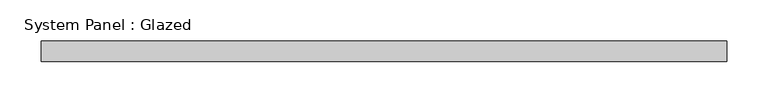
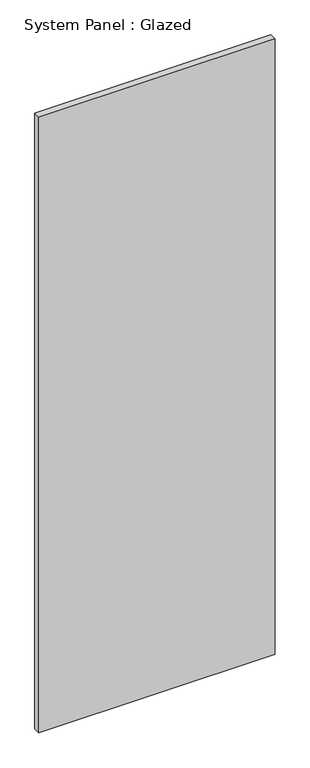
"""IFC4 building model written with IfcOpenShell, lengths in millimetres: plate geometry, System Panel : Glazed."""

from ifc_helpers import new_model, si_unit, origin, origin_with_axes, place, context, project, spatial, polyline, outline, extrude, source, transform, mapped, element, save


def system_panel_glazed_9241841f(model_context):
    return source(origin(), model_context, "Body", "SweptSolid", [
        extrude(outline(polyline([(417.5000002, 24.5), (-417.5000002, 24.5), (-417.5000002, 49.5), (417.5000002, 49.5), (417.5000002, 24.5)])), origin_with_axes(), (0.0, 0.0, 1.0), 2300.0),
    ])


if __name__ == "__main__":
    model = new_model("IFC4")
    model_context = context("Model", 3, world=origin())
    ifc_project = project(units=[si_unit("LENGTHUNIT", "METRE", prefix="MILLI")], contexts=[model_context])
    site = spatial("IfcSite", under=ifc_project)
    building = spatial("IfcBuilding", under=site)
    placement = place(None, origin())
    system_panel_glazed_shape = system_panel_glazed_9241841f(model_context)
    element("IfcPlate", 1, ObjectType="System Panel : Glazed", at=placement, inside=building, context=model_context, shape_type="MappedRepresentation", body=[
        mapped(system_panel_glazed_shape, transform((0.0, 0.0, 0.0), x_axis=(1.0, 0.0, 0.0), y_axis=(0.0, 1.0, 0.0), z_axis=(0.0, 0.0, 1.0))),
    ])
    save(model, "model.ifc")
